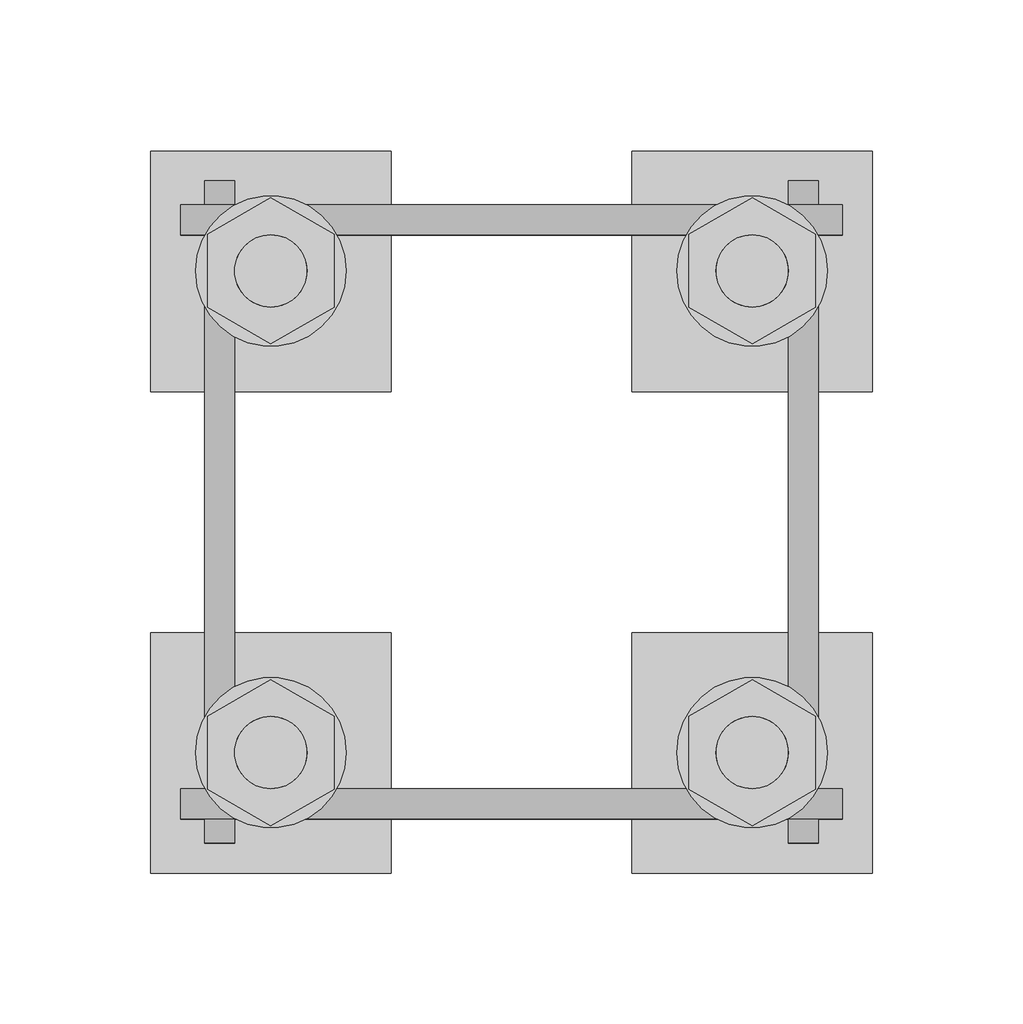
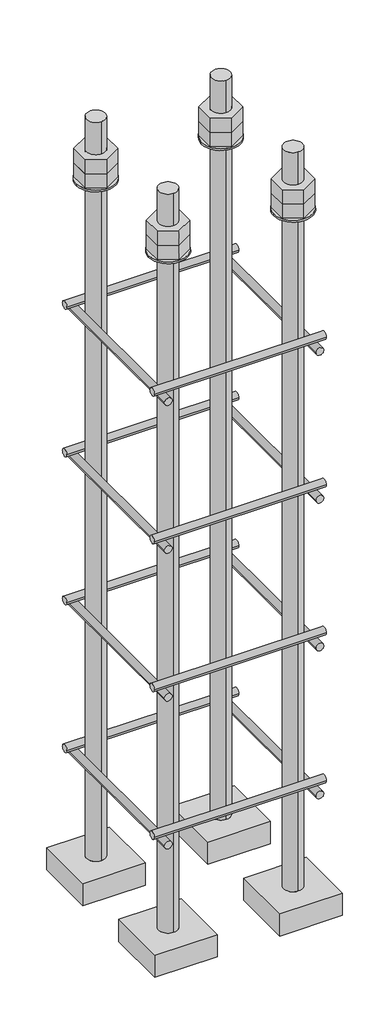
# One storey, part 18 of 66: 1 fastener.
"""IFC4 building model written with IfcOpenShell, lengths in millimetres."""

from ifc_helpers import new_model, si_unit, point, frame, frame_2d, origin, place, context, project, spatial, polyline, circle_curve, trimmed, segment, composite_curve, outline, extrude, element, save
from ifc_brep_helpers import plane_surface, cylinder_surface, advanced_brep

model = new_model("IFC4")

# Units and contexts
model_context = context("Model", 3, world=origin())
ifc_project = project(units=[si_unit("LENGTHUNIT", "METRE", prefix="MILLI")], contexts=[model_context])

# Site, building, storey
site = spatial("IfcSite", under=ifc_project)
building = spatial("IfcBuilding", under=site)
storey = spatial("IfcBuildingStorey", under=building, Elevation=9070.0)

# Fastener
placement = place(None, origin())
element("IfcFastener", 1, ObjectType="AU1 : AU-01", at=placement, inside=storey, context=model_context, shape_type="SolidModel", body=[
    extrude(outline(composite_curve([segment(trimmed(circle_curve(frame_2d((14703.0, 8595.0)), 5.0), [point((14698.0, 8595.0))], [point((14708.0, 8595.0))], False, "CARTESIAN"), True, "CONTINUOUS"), segment(trimmed(circle_curve(frame_2d((14703.0, 8595.0)), 5.0), [point((14708.0, 8595.0))], [point((14698.0, 8595.0))], False, "CARTESIAN"), True, "CONTINUOUS")], self_intersect=False)), frame((35040.0, 0.0, 0.0), z_axis=(1.0, 0.0, 0.0), x_axis=(0.0, 1.0, 0.0)), (0.0, 0.0, 1.0), 220.0),
    extrude(outline(composite_curve([segment(trimmed(circle_curve(frame_2d((14897.0, 8595.0)), 5.0), [point((14902.0, 8595.0))], [point((14892.0, 8595.0))], False, "CARTESIAN"), True, "CONTINUOUS"), segment(trimmed(circle_curve(frame_2d((14897.0, 8595.0)), 5.0), [point((14892.0, 8595.0))], [point((14902.0, 8595.0))], False, "CARTESIAN"), True, "CONTINUOUS")], self_intersect=False)), frame((35040.0, 0.0, 0.0), z_axis=(1.0, 0.0, 0.0), x_axis=(0.0, 1.0, 0.0)), (0.0, 0.0, 1.0), 220.0),
    extrude(outline(composite_curve([segment(trimmed(circle_curve(frame_2d((8585.0, 35053.0)), 5.0), [point((8585.0, 35048.0))], [point((8585.0, 35058.0))], False, "CARTESIAN"), True, "CONTINUOUS"), segment(trimmed(circle_curve(frame_2d((8585.0, 35053.0)), 5.0), [point((8585.0, 35058.0))], [point((8585.0, 35048.0))], False, "CARTESIAN"), True, "CONTINUOUS")], self_intersect=False)), frame((0.0, 14690.0, 0.0), z_axis=(0.0, 1.0, 0.0), x_axis=(0.0, 0.0, 1.0)), (0.0, 0.0, 1.0), 220.0),
    extrude(outline(composite_curve([segment(trimmed(circle_curve(frame_2d((8585.0, 35247.0)), 5.0), [point((8585.0, 35252.0))], [point((8585.0, 35242.0))], False, "CARTESIAN"), True, "CONTINUOUS"), segment(trimmed(circle_curve(frame_2d((8585.0, 35247.0)), 5.0), [point((8585.0, 35242.0))], [point((8585.0, 35252.0))], False, "CARTESIAN"), True, "CONTINUOUS")], self_intersect=False)), frame((0.0, 14690.0, 0.0), z_axis=(0.0, 1.0, 0.0), x_axis=(0.0, 0.0, 1.0)), (0.0, 0.0, 1.0), 220.0),
    extrude(outline(composite_curve([segment(trimmed(circle_curve(frame_2d((14703.0, 8795.0)), 5.0), [point((14698.0, 8795.0))], [point((14708.0, 8795.0))], False, "CARTESIAN"), True, "CONTINUOUS"), segment(trimmed(circle_curve(frame_2d((14703.0, 8795.0)), 5.0), [point((14708.0, 8795.0))], [point((14698.0, 8795.0))], False, "CARTESIAN"), True, "CONTINUOUS")], self_intersect=False)), frame((35040.0, 0.0, 0.0), z_axis=(1.0, 0.0, 0.0), x_axis=(0.0, 1.0, 0.0)), (0.0, 0.0, 1.0), 220.0),
    extrude(outline(composite_curve([segment(trimmed(circle_curve(frame_2d((14897.0, 8795.0)), 5.0), [point((14902.0, 8795.0))], [point((14892.0, 8795.0))], False, "CARTESIAN"), True, "CONTINUOUS"), segment(trimmed(circle_curve(frame_2d((14897.0, 8795.0)), 5.0), [point((14892.0, 8795.0))], [point((14902.0, 8795.0))], False, "CARTESIAN"), True, "CONTINUOUS")], self_intersect=False)), frame((35040.0, 0.0, 0.0), z_axis=(1.0, 0.0, 0.0), x_axis=(0.0, 1.0, 0.0)), (0.0, 0.0, 1.0), 220.0),
    extrude(outline(composite_curve([segment(trimmed(circle_curve(frame_2d((8785.0, 35053.0)), 5.0), [point((8785.0, 35048.0))], [point((8785.0, 35058.0))], False, "CARTESIAN"), True, "CONTINUOUS"), segment(trimmed(circle_curve(frame_2d((8785.0, 35053.0)), 5.0), [point((8785.0, 35058.0))], [point((8785.0, 35048.0))], False, "CARTESIAN"), True, "CONTINUOUS")], self_intersect=False)), frame((0.0, 14690.0, 0.0), z_axis=(0.0, 1.0, 0.0), x_axis=(0.0, 0.0, 1.0)), (0.0, 0.0, 1.0), 220.0),
    extrude(outline(composite_curve([segment(trimmed(circle_curve(frame_2d((8785.0, 35247.0)), 5.0), [point((8785.0, 35252.0))], [point((8785.0, 35242.0))], False, "CARTESIAN"), True, "CONTINUOUS"), segment(trimmed(circle_curve(frame_2d((8785.0, 35247.0)), 5.0), [point((8785.0, 35242.0))], [point((8785.0, 35252.0))], False, "CARTESIAN"), True, "CONTINUOUS")], self_intersect=False)), frame((0.0, 14690.0, 0.0), z_axis=(0.0, 1.0, 0.0), x_axis=(0.0, 0.0, 1.0)), (0.0, 0.0, 1.0), 220.0),
    extrude(outline(composite_curve([segment(trimmed(circle_curve(frame_2d((14703.0, 8995.0)), 5.0), [point((14698.0, 8995.0))], [point((14708.0, 8995.0))], False, "CARTESIAN"), True, "CONTINUOUS"), segment(trimmed(circle_curve(frame_2d((14703.0, 8995.0)), 5.0), [point((14708.0, 8995.0))], [point((14698.0, 8995.0))], False, "CARTESIAN"), True, "CONTINUOUS")], self_intersect=False)), frame((35040.0, 0.0, 0.0), z_axis=(1.0, 0.0, 0.0), x_axis=(0.0, 1.0, 0.0)), (0.0, 0.0, 1.0), 220.0),
    extrude(outline(composite_curve([segment(trimmed(circle_curve(frame_2d((14897.0, 8995.0)), 5.0), [point((14902.0, 8995.0))], [point((14892.0, 8995.0))], False, "CARTESIAN"), True, "CONTINUOUS"), segment(trimmed(circle_curve(frame_2d((14897.0, 8995.0)), 5.0), [point((14892.0, 8995.0))], [point((14902.0, 8995.0))], False, "CARTESIAN"), True, "CONTINUOUS")], self_intersect=False)), frame((35040.0, 0.0, 0.0), z_axis=(1.0, 0.0, 0.0), x_axis=(0.0, 1.0, 0.0)), (0.0, 0.0, 1.0), 220.0),
    extrude(outline(composite_curve([segment(trimmed(circle_curve(frame_2d((8985.0, 35053.0)), 5.0), [point((8985.0, 35048.0))], [point((8985.0, 35058.0))], False, "CARTESIAN"), True, "CONTINUOUS"), segment(trimmed(circle_curve(frame_2d((8985.0, 35053.0)), 5.0), [point((8985.0, 35058.0))], [point((8985.0, 35048.0))], False, "CARTESIAN"), True, "CONTINUOUS")], self_intersect=False)), frame((0.0, 14690.0, 0.0), z_axis=(0.0, 1.0, 0.0), x_axis=(0.0, 0.0, 1.0)), (0.0, 0.0, 1.0), 220.0),
    extrude(outline(composite_curve([segment(trimmed(circle_curve(frame_2d((8985.0, 35247.0)), 5.0), [point((8985.0, 35252.0))], [point((8985.0, 35242.0))], False, "CARTESIAN"), True, "CONTINUOUS"), segment(trimmed(circle_curve(frame_2d((8985.0, 35247.0)), 5.0), [point((8985.0, 35242.0))], [point((8985.0, 35252.0))], False, "CARTESIAN"), True, "CONTINUOUS")], self_intersect=False)), frame((0.0, 14690.0, 0.0), z_axis=(0.0, 1.0, 0.0), x_axis=(0.0, 0.0, 1.0)), (0.0, 0.0, 1.0), 220.0),
    extrude(outline(composite_curve([segment(trimmed(circle_curve(frame_2d((14703.0, 9195.0)), 5.0), [point((14698.0, 9195.0))], [point((14708.0, 9195.0))], False, "CARTESIAN"), True, "CONTINUOUS"), segment(trimmed(circle_curve(frame_2d((14703.0, 9195.0)), 5.0), [point((14708.0, 9195.0))], [point((14698.0, 9195.0))], False, "CARTESIAN"), True, "CONTINUOUS")], self_intersect=False)), frame((35040.0, 0.0, 0.0), z_axis=(1.0, 0.0, 0.0), x_axis=(0.0, 1.0, 0.0)), (0.0, 0.0, 1.0), 220.0),
    extrude(outline(composite_curve([segment(trimmed(circle_curve(frame_2d((14897.0, 9195.0)), 5.0), [point((14902.0, 9195.0))], [point((14892.0, 9195.0))], False, "CARTESIAN"), True, "CONTINUOUS"), segment(trimmed(circle_curve(frame_2d((14897.0, 9195.0)), 5.0), [point((14892.0, 9195.0))], [point((14902.0, 9195.0))], False, "CARTESIAN"), True, "CONTINUOUS")], self_intersect=False)), frame((35040.0, 0.0, 0.0), z_axis=(1.0, 0.0, 0.0), x_axis=(0.0, 1.0, 0.0)), (0.0, 0.0, 1.0), 220.0),
    extrude(outline(composite_curve([segment(trimmed(circle_curve(frame_2d((9185.0, 35053.0)), 5.0), [point((9185.0, 35048.0))], [point((9185.0, 35058.0))], False, "CARTESIAN"), True, "CONTINUOUS"), segment(trimmed(circle_curve(frame_2d((9185.0, 35053.0)), 5.0), [point((9185.0, 35058.0))], [point((9185.0, 35048.0))], False, "CARTESIAN"), True, "CONTINUOUS")], self_intersect=False)), frame((0.0, 14690.0, 0.0), z_axis=(0.0, 1.0, 0.0), x_axis=(0.0, 0.0, 1.0)), (0.0, 0.0, 1.0), 220.0),
    extrude(outline(composite_curve([segment(trimmed(circle_curve(frame_2d((9185.0, 35247.0)), 5.0), [point((9185.0, 35252.0))], [point((9185.0, 35242.0))], False, "CARTESIAN"), True, "CONTINUOUS"), segment(trimmed(circle_curve(frame_2d((9185.0, 35247.0)), 5.0), [point((9185.0, 35242.0))], [point((9185.0, 35252.0))], False, "CARTESIAN"), True, "CONTINUOUS")], self_intersect=False)), frame((0.0, 14690.0, 0.0), z_axis=(0.0, 1.0, 0.0), x_axis=(0.0, 0.0, 1.0)), (0.0, 0.0, 1.0), 220.0),
    advanced_brep(
    [(35110.0, 14920.0, 8450.0), (35030.0, 14920.0, 8450.0), (35030.0, 14840.0, 8450.0), (35110.0, 14840.0, 8450.0), (35070.0, 14868.0, 8450.0), (35070.0, 14892.0, 8450.0), (35110.0, 14920.0, 8420.0), (35110.0, 14840.0, 8420.0), (35030.0, 14840.0, 8420.0), (35030.0, 14920.0, 8420.0), (35070.0, 14892.0, 9450.0), (35070.0, 14868.0, 9450.0)],
    [
        (0, 1),
        (1, 2),
        (2, 3),
        (3, 0),
        (4, 5, circle_curve(frame((35070.0, 14880.0, 8450.0), z_axis=(0.0, 0.0, -1.0), x_axis=(0.0, -1.0, 0.0)), 12.0)),
        (5, 4, circle_curve(frame((35070.0, 14880.0, 8450.0), z_axis=(0.0, 0.0, -1.0), x_axis=(0.0, -1.0, 0.0)), 12.0)),
        (6, 7),
        (7, 8),
        (8, 9),
        (9, 6),
        (0, 6),
        (9, 1),
        (8, 2),
        (7, 3),
        (10, 11, circle_curve(frame((35070.0, 14880.0, 9450.0), z_axis=(0.0, 0.0, 1.0), x_axis=(0.0, -1.0, 0.0)), 12.0)),
        (11, 10, circle_curve(frame((35070.0, 14880.0, 9450.0), z_axis=(0.0, 0.0, 1.0), x_axis=(0.0, -1.0, 0.0)), 12.0)),
        (10, 5),
        (4, 11),
    ],
    [
        plane_surface(frame((35030.0, 14920.0, 8450.0), z_axis=(0.0, 0.0, 1.0), x_axis=(-1.0, 0.0, 0.0))),
        plane_surface(frame((35030.0, 14920.0, 8420.0), z_axis=(0.0, 0.0, -1.0), x_axis=(1.0, 0.0, 0.0))),
        plane_surface(frame((35110.0, 14920.0, 8450.0), z_axis=(0.0, 1.0, 0.0), x_axis=(0.0, 0.0, -1.0))),
        plane_surface(frame((35030.0, 14920.0, 8450.0), z_axis=(-1.0, 0.0, 0.0), x_axis=(0.0, 0.0, -1.0))),
        plane_surface(frame((35030.0, 14840.0, 8450.0), z_axis=(0.0, -1.0, 0.0), x_axis=(0.0, 0.0, -1.0))),
        plane_surface(frame((35110.0, 14840.0, 8450.0), z_axis=(1.0, 0.0, 0.0), x_axis=(0.0, 0.0, -1.0))),
        plane_surface(frame((35070.0, 14880.0, 9450.0), z_axis=(0.0, 0.0, 1.0), x_axis=(0.0, -1.0, 0.0))),
        cylinder_surface(frame((35070.0, 14880.0, 9450.0), z_axis=(0.0, 0.0, 1.0), x_axis=(0.0, -1.0, 0.0)), 12.0),
    ],
    [
        (0, [[1, 2, 3, 4], [5, 6]]),
        (1, [[7, 8, 9, 10]]),
        (2, [[-1, 11, -10, 12]]),
        (3, [[-2, -12, -9, 13]]),
        (4, [[-3, -13, -8, 14]]),
        (5, [[-4, -14, -7, -11]]),
        (6, [[15, 16]]),
        (7, [[-15, 17, -5, 18]]),
        (7, [[-16, -18, -6, -17]]),
    ],
),
    extrude(outline(composite_curve([segment(trimmed(circle_curve(frame_2d((35070.0, 14880.0)), 25.0), [point((35095.0, 14880.0))], [point((35045.0, 14880.0))], False, "CARTESIAN"), True, "CONTINUOUS"), segment(trimmed(circle_curve(frame_2d((35070.0, 14880.0)), 25.0), [point((35045.0, 14880.0))], [point((35095.0, 14880.0))], False, "CARTESIAN"), True, "CONTINUOUS")], self_intersect=False), holes=[composite_curve([segment(trimmed(circle_curve(frame_2d((35070.0, 14880.0)), 12.0), [point((35082.0, 14880.0))], [point((35058.0, 14880.0))], True, "CARTESIAN"), True, "CONTINUOUS"), segment(trimmed(circle_curve(frame_2d((35070.0, 14880.0)), 12.0), [point((35058.0, 14880.0))], [point((35082.0, 14880.0))], True, "CARTESIAN"), True, "CONTINUOUS")], self_intersect=False)]), frame((0.0, 0.0, 9365.0), z_axis=(0.0, 0.0, 1.0), x_axis=(1.0, 0.0, 0.0)), (0.0, 0.0, 1.0), 2.5),
    extrude(outline(polyline([(35070.0, 14904.2487113), (35091.0, 14892.1243557), (35091.0, 14867.8756443), (35070.0, 14855.7512887), (35049.0, 14867.8756443), (35049.0, 14892.1243557), (35070.0, 14904.2487113)]), holes=[composite_curve([segment(trimmed(circle_curve(frame_2d((35070.0, 14880.0)), 12.0), [point((35082.0, 14880.0))], [point((35058.0, 14880.0))], True, "CARTESIAN"), True, "CONTINUOUS"), segment(trimmed(circle_curve(frame_2d((35070.0, 14880.0)), 12.0), [point((35058.0, 14880.0))], [point((35082.0, 14880.0))], True, "CARTESIAN"), True, "CONTINUOUS")], self_intersect=False)]), frame((0.0, 0.0, 9387.0), z_axis=(0.0, 0.0, 1.0), x_axis=(1.0, 0.0, 0.0)), (0.0, 0.0, 1.0), 19.5),
    extrude(outline(polyline([(35070.0, 14904.2487113), (35091.0, 14892.1243557), (35091.0, 14867.8756443), (35070.0, 14855.7512887), (35049.0, 14867.8756443), (35049.0, 14892.1243557), (35070.0, 14904.2487113)]), holes=[composite_curve([segment(trimmed(circle_curve(frame_2d((35070.0, 14880.0)), 12.0), [point((35082.0, 14880.0))], [point((35058.0, 14880.0))], True, "CARTESIAN"), True, "CONTINUOUS"), segment(trimmed(circle_curve(frame_2d((35070.0, 14880.0)), 12.0), [point((35058.0, 14880.0))], [point((35082.0, 14880.0))], True, "CARTESIAN"), True, "CONTINUOUS")], self_intersect=False)]), frame((0.0, 0.0, 9367.5), z_axis=(0.0, 0.0, 1.0), x_axis=(1.0, 0.0, 0.0)), (0.0, 0.0, 1.0), 19.5),
    advanced_brep(
    [(35190.0, 14840.0, 8450.0), (35270.0, 14840.0, 8450.0), (35270.0, 14920.0, 8450.0), (35190.0, 14920.0, 8450.0), (35230.0, 14892.0, 8450.0), (35230.0, 14868.0, 8450.0), (35190.0, 14840.0, 8420.0), (35190.0, 14920.0, 8420.0), (35270.0, 14920.0, 8420.0), (35270.0, 14840.0, 8420.0), (35230.0, 14868.0, 9450.0), (35230.0, 14892.0, 9450.0)],
    [
        (0, 1),
        (1, 2),
        (2, 3),
        (3, 0),
        (4, 5, circle_curve(frame((35230.0, 14880.0, 8450.0), z_axis=(0.0, 0.0, -1.0), x_axis=(0.0, 1.0, 0.0)), 12.0)),
        (5, 4, circle_curve(frame((35230.0, 14880.0, 8450.0), z_axis=(0.0, 0.0, -1.0), x_axis=(0.0, 1.0, 0.0)), 12.0)),
        (6, 7),
        (7, 8),
        (8, 9),
        (9, 6),
        (0, 6),
        (9, 1),
        (8, 2),
        (7, 3),
        (10, 11, circle_curve(frame((35230.0, 14880.0, 9450.0), z_axis=(0.0, 0.0, 1.0), x_axis=(0.0, 1.0, 0.0)), 12.0)),
        (11, 10, circle_curve(frame((35230.0, 14880.0, 9450.0), z_axis=(0.0, 0.0, 1.0), x_axis=(0.0, 1.0, 0.0)), 12.0)),
        (10, 5),
        (4, 11),
    ],
    [
        plane_surface(frame((35270.0, 14840.0, 8450.0), z_axis=(0.0, 0.0, 1.0), x_axis=(1.0, 0.0, 0.0))),
        plane_surface(frame((35270.0, 14840.0, 8420.0), z_axis=(0.0, 0.0, -1.0), x_axis=(-1.0, 0.0, 0.0))),
        plane_surface(frame((35190.0, 14840.0, 8450.0), z_axis=(0.0, -1.0, 0.0), x_axis=(0.0, 0.0, -1.0))),
        plane_surface(frame((35270.0, 14840.0, 8450.0), z_axis=(1.0, 0.0, 0.0), x_axis=(0.0, 0.0, -1.0))),
        plane_surface(frame((35270.0, 14920.0, 8450.0), z_axis=(0.0, 1.0, 0.0), x_axis=(0.0, 0.0, -1.0))),
        plane_surface(frame((35190.0, 14920.0, 8450.0), z_axis=(-1.0, 0.0, 0.0), x_axis=(0.0, 0.0, -1.0))),
        plane_surface(frame((35230.0, 14880.0, 9450.0), z_axis=(0.0, 0.0, 1.0), x_axis=(0.0, 1.0, 0.0))),
        cylinder_surface(frame((35230.0, 14880.0, 9450.0), z_axis=(0.0, 0.0, 1.0), x_axis=(0.0, 1.0, 0.0)), 12.0),
    ],
    [
        (0, [[1, 2, 3, 4], [5, 6]]),
        (1, [[7, 8, 9, 10]]),
        (2, [[-1, 11, -10, 12]]),
        (3, [[-2, -12, -9, 13]]),
        (4, [[-3, -13, -8, 14]]),
        (5, [[-4, -14, -7, -11]]),
        (6, [[15, 16]]),
        (7, [[-15, 17, -5, 18]]),
        (7, [[-16, -18, -6, -17]]),
    ],
),
    extrude(outline(composite_curve([segment(trimmed(circle_curve(frame_2d((35230.0, 14880.0)), 25.0), [point((35205.0, 14880.0))], [point((35255.0, 14880.0))], False, "CARTESIAN"), True, "CONTINUOUS"), segment(trimmed(circle_curve(frame_2d((35230.0, 14880.0)), 25.0), [point((35255.0, 14880.0))], [point((35205.0, 14880.0))], False, "CARTESIAN"), True, "CONTINUOUS")], self_intersect=False), holes=[composite_curve([segment(trimmed(circle_curve(frame_2d((35230.0, 14880.0)), 12.0), [point((35218.0, 14880.0))], [point((35242.0, 14880.0))], True, "CARTESIAN"), True, "CONTINUOUS"), segment(trimmed(circle_curve(frame_2d((35230.0, 14880.0)), 12.0), [point((35242.0, 14880.0))], [point((35218.0, 14880.0))], True, "CARTESIAN"), True, "CONTINUOUS")], self_intersect=False)]), frame((0.0, 0.0, 9365.0), z_axis=(0.0, 0.0, 1.0), x_axis=(1.0, 0.0, 0.0)), (0.0, 0.0, 1.0), 2.5),
    extrude(outline(polyline([(35230.0, 14855.7512887), (35209.0, 14867.8756443), (35209.0, 14892.1243557), (35230.0, 14904.2487113), (35251.0, 14892.1243557), (35251.0, 14867.8756443), (35230.0, 14855.7512887)]), holes=[composite_curve([segment(trimmed(circle_curve(frame_2d((35230.0, 14880.0)), 12.0), [point((35218.0, 14880.0))], [point((35242.0, 14880.0))], True, "CARTESIAN"), True, "CONTINUOUS"), segment(trimmed(circle_curve(frame_2d((35230.0, 14880.0)), 12.0), [point((35242.0, 14880.0))], [point((35218.0, 14880.0))], True, "CARTESIAN"), True, "CONTINUOUS")], self_intersect=False)]), frame((0.0, 0.0, 9387.0), z_axis=(0.0, 0.0, 1.0), x_axis=(1.0, 0.0, 0.0)), (0.0, 0.0, 1.0), 19.5),
    extrude(outline(polyline([(35230.0, 14855.7512887), (35209.0, 14867.8756443), (35209.0, 14892.1243557), (35230.0, 14904.2487113), (35251.0, 14892.1243557), (35251.0, 14867.8756443), (35230.0, 14855.7512887)]), holes=[composite_curve([segment(trimmed(circle_curve(frame_2d((35230.0, 14880.0)), 12.0), [point((35218.0, 14880.0))], [point((35242.0, 14880.0))], True, "CARTESIAN"), True, "CONTINUOUS"), segment(trimmed(circle_curve(frame_2d((35230.0, 14880.0)), 12.0), [point((35242.0, 14880.0))], [point((35218.0, 14880.0))], True, "CARTESIAN"), True, "CONTINUOUS")], self_intersect=False)]), frame((0.0, 0.0, 9367.5), z_axis=(0.0, 0.0, 1.0), x_axis=(1.0, 0.0, 0.0)), (0.0, 0.0, 1.0), 19.5),
    advanced_brep(
    [(35190.0, 14680.0, 8450.0), (35270.0, 14680.0, 8450.0), (35270.0, 14760.0, 8450.0), (35190.0, 14760.0, 8450.0), (35230.0, 14732.0, 8450.0), (35230.0, 14708.0, 8450.0), (35190.0, 14680.0, 8420.0), (35190.0, 14760.0, 8420.0), (35270.0, 14760.0, 8420.0), (35270.0, 14680.0, 8420.0), (35230.0, 14708.0, 9450.0), (35230.0, 14732.0, 9450.0)],
    [
        (0, 1),
        (1, 2),
        (2, 3),
        (3, 0),
        (4, 5, circle_curve(frame((35230.0, 14720.0, 8450.0), z_axis=(0.0, 0.0, -1.0), x_axis=(0.0, 1.0, 0.0)), 12.0)),
        (5, 4, circle_curve(frame((35230.0, 14720.0, 8450.0), z_axis=(0.0, 0.0, -1.0), x_axis=(0.0, 1.0, 0.0)), 12.0)),
        (6, 7),
        (7, 8),
        (8, 9),
        (9, 6),
        (0, 6),
        (9, 1),
        (8, 2),
        (7, 3),
        (10, 11, circle_curve(frame((35230.0, 14720.0, 9450.0), z_axis=(0.0, 0.0, 1.0), x_axis=(0.0, 1.0, 0.0)), 12.0)),
        (11, 10, circle_curve(frame((35230.0, 14720.0, 9450.0), z_axis=(0.0, 0.0, 1.0), x_axis=(0.0, 1.0, 0.0)), 12.0)),
        (10, 5),
        (4, 11),
    ],
    [
        plane_surface(frame((35270.0, 14680.0, 8450.0), z_axis=(0.0, 0.0, 1.0), x_axis=(1.0, 0.0, 0.0))),
        plane_surface(frame((35270.0, 14680.0, 8420.0), z_axis=(0.0, 0.0, -1.0), x_axis=(-1.0, 0.0, 0.0))),
        plane_surface(frame((35190.0, 14680.0, 8450.0), z_axis=(0.0, -1.0, 0.0), x_axis=(0.0, 0.0, -1.0))),
        plane_surface(frame((35270.0, 14680.0, 8450.0), z_axis=(1.0, 0.0, 0.0), x_axis=(0.0, 0.0, -1.0))),
        plane_surface(frame((35270.0, 14760.0, 8450.0), z_axis=(0.0, 1.0, 0.0), x_axis=(0.0, 0.0, -1.0))),
        plane_surface(frame((35190.0, 14760.0, 8450.0), z_axis=(-1.0, 0.0, 0.0), x_axis=(0.0, 0.0, -1.0))),
        plane_surface(frame((35230.0, 14720.0, 9450.0), z_axis=(0.0, 0.0, 1.0), x_axis=(0.0, 1.0, 0.0))),
        cylinder_surface(frame((35230.0, 14720.0, 9450.0), z_axis=(0.0, 0.0, 1.0), x_axis=(0.0, 1.0, 0.0)), 12.0),
    ],
    [
        (0, [[1, 2, 3, 4], [5, 6]]),
        (1, [[7, 8, 9, 10]]),
        (2, [[-1, 11, -10, 12]]),
        (3, [[-2, -12, -9, 13]]),
        (4, [[-3, -13, -8, 14]]),
        (5, [[-4, -14, -7, -11]]),
        (6, [[15, 16]]),
        (7, [[-15, 17, -5, 18]]),
        (7, [[-16, -18, -6, -17]]),
    ],
),
    extrude(outline(composite_curve([segment(trimmed(circle_curve(frame_2d((35230.0, 14720.0)), 25.0), [point((35205.0, 14720.0))], [point((35255.0, 14720.0))], False, "CARTESIAN"), True, "CONTINUOUS"), segment(trimmed(circle_curve(frame_2d((35230.0, 14720.0)), 25.0), [point((35255.0, 14720.0))], [point((35205.0, 14720.0))], False, "CARTESIAN"), True, "CONTINUOUS")], self_intersect=False), holes=[composite_curve([segment(trimmed(circle_curve(frame_2d((35230.0, 14720.0)), 12.0), [point((35218.0, 14720.0))], [point((35242.0, 14720.0))], True, "CARTESIAN"), True, "CONTINUOUS"), segment(trimmed(circle_curve(frame_2d((35230.0, 14720.0)), 12.0), [point((35242.0, 14720.0))], [point((35218.0, 14720.0))], True, "CARTESIAN"), True, "CONTINUOUS")], self_intersect=False)]), frame((0.0, 0.0, 9365.0), z_axis=(0.0, 0.0, 1.0), x_axis=(1.0, 0.0, 0.0)), (0.0, 0.0, 1.0), 2.5),
    extrude(outline(polyline([(35230.0, 14695.7512887), (35209.0, 14707.8756443), (35209.0, 14732.1243557), (35230.0, 14744.2487113), (35251.0, 14732.1243557), (35251.0, 14707.8756443), (35230.0, 14695.7512887)]), holes=[composite_curve([segment(trimmed(circle_curve(frame_2d((35230.0, 14720.0)), 12.0), [point((35218.0, 14720.0))], [point((35242.0, 14720.0))], True, "CARTESIAN"), True, "CONTINUOUS"), segment(trimmed(circle_curve(frame_2d((35230.0, 14720.0)), 12.0), [point((35242.0, 14720.0))], [point((35218.0, 14720.0))], True, "CARTESIAN"), True, "CONTINUOUS")], self_intersect=False)]), frame((0.0, 0.0, 9387.0), z_axis=(0.0, 0.0, 1.0), x_axis=(1.0, 0.0, 0.0)), (0.0, 0.0, 1.0), 19.5),
    extrude(outline(polyline([(35230.0, 14695.7512887), (35209.0, 14707.8756443), (35209.0, 14732.1243557), (35230.0, 14744.2487113), (35251.0, 14732.1243557), (35251.0, 14707.8756443), (35230.0, 14695.7512887)]), holes=[composite_curve([segment(trimmed(circle_curve(frame_2d((35230.0, 14720.0)), 12.0), [point((35218.0, 14720.0))], [point((35242.0, 14720.0))], True, "CARTESIAN"), True, "CONTINUOUS"), segment(trimmed(circle_curve(frame_2d((35230.0, 14720.0)), 12.0), [point((35242.0, 14720.0))], [point((35218.0, 14720.0))], True, "CARTESIAN"), True, "CONTINUOUS")], self_intersect=False)]), frame((0.0, 0.0, 9367.5), z_axis=(0.0, 0.0, 1.0), x_axis=(1.0, 0.0, 0.0)), (0.0, 0.0, 1.0), 19.5),
    advanced_brep(
    [(35110.0, 14760.0, 8450.0), (35030.0, 14760.0, 8450.0), (35030.0, 14680.0, 8450.0), (35110.0, 14680.0, 8450.0), (35070.0, 14708.0, 8450.0), (35070.0, 14732.0, 8450.0), (35110.0, 14760.0, 8420.0), (35110.0, 14680.0, 8420.0), (35030.0, 14680.0, 8420.0), (35030.0, 14760.0, 8420.0), (35070.0, 14732.0, 9450.0), (35070.0, 14708.0, 9450.0)],
    [
        (0, 1),
        (1, 2),
        (2, 3),
        (3, 0),
        (4, 5, circle_curve(frame((35070.0, 14720.0, 8450.0), z_axis=(0.0, 0.0, -1.0), x_axis=(0.0, -1.0, 0.0)), 12.0)),
        (5, 4, circle_curve(frame((35070.0, 14720.0, 8450.0), z_axis=(0.0, 0.0, -1.0), x_axis=(0.0, -1.0, 0.0)), 12.0)),
        (6, 7),
        (7, 8),
        (8, 9),
        (9, 6),
        (0, 6),
        (9, 1),
        (8, 2),
        (7, 3),
        (10, 11, circle_curve(frame((35070.0, 14720.0, 9450.0), z_axis=(0.0, 0.0, 1.0), x_axis=(0.0, -1.0, 0.0)), 12.0)),
        (11, 10, circle_curve(frame((35070.0, 14720.0, 9450.0), z_axis=(0.0, 0.0, 1.0), x_axis=(0.0, -1.0, 0.0)), 12.0)),
        (10, 5),
        (4, 11),
    ],
    [
        plane_surface(frame((35030.0, 14760.0, 8450.0), z_axis=(0.0, 0.0, 1.0), x_axis=(-1.0, 0.0, 0.0))),
        plane_surface(frame((35030.0, 14760.0, 8420.0), z_axis=(0.0, 0.0, -1.0), x_axis=(1.0, 0.0, 0.0))),
        plane_surface(frame((35110.0, 14760.0, 8450.0), z_axis=(0.0, 1.0, 0.0), x_axis=(0.0, 0.0, -1.0))),
        plane_surface(frame((35030.0, 14760.0, 8450.0), z_axis=(-1.0, 0.0, 0.0), x_axis=(0.0, 0.0, -1.0))),
        plane_surface(frame((35030.0, 14680.0, 8450.0), z_axis=(0.0, -1.0, 0.0), x_axis=(0.0, 0.0, -1.0))),
        plane_surface(frame((35110.0, 14680.0, 8450.0), z_axis=(1.0, 0.0, 0.0), x_axis=(0.0, 0.0, -1.0))),
        plane_surface(frame((35070.0, 14720.0, 9450.0), z_axis=(0.0, 0.0, 1.0), x_axis=(0.0, -1.0, 0.0))),
        cylinder_surface(frame((35070.0, 14720.0, 9450.0), z_axis=(0.0, 0.0, 1.0), x_axis=(0.0, -1.0, 0.0)), 12.0),
    ],
    [
        (0, [[1, 2, 3, 4], [5, 6]]),
        (1, [[7, 8, 9, 10]]),
        (2, [[-1, 11, -10, 12]]),
        (3, [[-2, -12, -9, 13]]),
        (4, [[-3, -13, -8, 14]]),
        (5, [[-4, -14, -7, -11]]),
        (6, [[15, 16]]),
        (7, [[-15, 17, -5, 18]]),
        (7, [[-16, -18, -6, -17]]),
    ],
),
    extrude(outline(composite_curve([segment(trimmed(circle_curve(frame_2d((35070.0, 14720.0)), 25.0), [point((35095.0, 14720.0))], [point((35045.0, 14720.0))], False, "CARTESIAN"), True, "CONTINUOUS"), segment(trimmed(circle_curve(frame_2d((35070.0, 14720.0)), 25.0), [point((35045.0, 14720.0))], [point((35095.0, 14720.0))], False, "CARTESIAN"), True, "CONTINUOUS")], self_intersect=False), holes=[composite_curve([segment(trimmed(circle_curve(frame_2d((35070.0, 14720.0)), 12.0), [point((35082.0, 14720.0))], [point((35058.0, 14720.0))], True, "CARTESIAN"), True, "CONTINUOUS"), segment(trimmed(circle_curve(frame_2d((35070.0, 14720.0)), 12.0), [point((35058.0, 14720.0))], [point((35082.0, 14720.0))], True, "CARTESIAN"), True, "CONTINUOUS")], self_intersect=False)]), frame((0.0, 0.0, 9365.0), z_axis=(0.0, 0.0, 1.0), x_axis=(1.0, 0.0, 0.0)), (0.0, 0.0, 1.0), 2.5),
    extrude(outline(polyline([(35070.0, 14744.2487113), (35091.0, 14732.1243557), (35091.0, 14707.8756443), (35070.0, 14695.7512887), (35049.0, 14707.8756443), (35049.0, 14732.1243557), (35070.0, 14744.2487113)]), holes=[composite_curve([segment(trimmed(circle_curve(frame_2d((35070.0, 14720.0)), 12.0), [point((35082.0, 14720.0))], [point((35058.0, 14720.0))], True, "CARTESIAN"), True, "CONTINUOUS"), segment(trimmed(circle_curve(frame_2d((35070.0, 14720.0)), 12.0), [point((35058.0, 14720.0))], [point((35082.0, 14720.0))], True, "CARTESIAN"), True, "CONTINUOUS")], self_intersect=False)]), frame((0.0, 0.0, 9387.0), z_axis=(0.0, 0.0, 1.0), x_axis=(1.0, 0.0, 0.0)), (0.0, 0.0, 1.0), 19.5),
    extrude(outline(polyline([(35070.0, 14744.2487113), (35091.0, 14732.1243557), (35091.0, 14707.8756443), (35070.0, 14695.7512887), (35049.0, 14707.8756443), (35049.0, 14732.1243557), (35070.0, 14744.2487113)]), holes=[composite_curve([segment(trimmed(circle_curve(frame_2d((35070.0, 14720.0)), 12.0), [point((35082.0, 14720.0))], [point((35058.0, 14720.0))], True, "CARTESIAN"), True, "CONTINUOUS"), segment(trimmed(circle_curve(frame_2d((35070.0, 14720.0)), 12.0), [point((35058.0, 14720.0))], [point((35082.0, 14720.0))], True, "CARTESIAN"), True, "CONTINUOUS")], self_intersect=False)]), frame((0.0, 0.0, 9367.5), z_axis=(0.0, 0.0, 1.0), x_axis=(1.0, 0.0, 0.0)), (0.0, 0.0, 1.0), 19.5),
])

save(model, "model.ifc")
